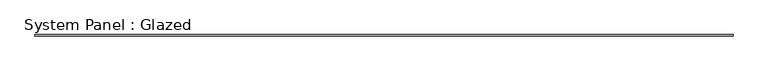
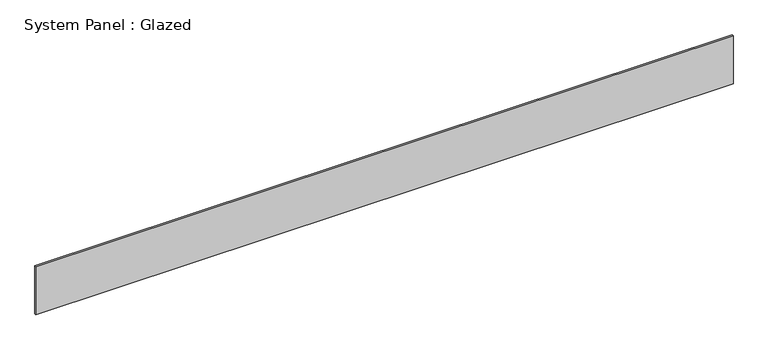
"""IFC4 building model written with IfcOpenShell, lengths in millimetres: plate geometry, System Panel : Glazed."""

from ifc_helpers import new_model, si_unit, origin, origin_with_axes, place, context, project, spatial, polyline, outline, extrude, source, transform, mapped, element, save


def system_panel_glazed_b483a2ab(model_context):
    return source(origin(), model_context, "Body", "SweptSolid", [
        extrude(outline(polyline([(6177.8214727, 24.5), (-6177.8214727, 24.5), (-6177.8214727, 49.5), (6177.8214727, 49.5), (6177.8214727, 24.5)])), origin_with_axes(), (0.0, 0.0, 1.0), 900.0),
    ])


if __name__ == "__main__":
    model = new_model("IFC4")
    model_context = context("Model", 3, world=origin())
    ifc_project = project(units=[si_unit("LENGTHUNIT", "METRE", prefix="MILLI")], contexts=[model_context])
    site = spatial("IfcSite", under=ifc_project)
    building = spatial("IfcBuilding", under=site)
    placement = place(None, origin())
    system_panel_glazed_shape = system_panel_glazed_b483a2ab(model_context)
    element("IfcPlate", 1, ObjectType="System Panel : Glazed", at=placement, inside=building, context=model_context, shape_type="MappedRepresentation", body=[
        mapped(system_panel_glazed_shape, transform((0.0, 0.0, 0.0), x_axis=(1.0, 0.0, 0.0), y_axis=(0.0, 1.0, 0.0), z_axis=(0.0, 0.0, 1.0))),
    ])
    save(model, "model.ifc")
